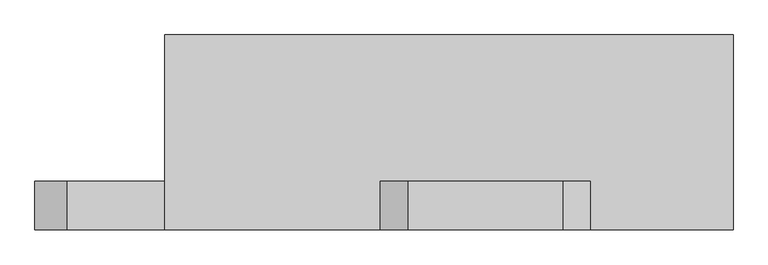
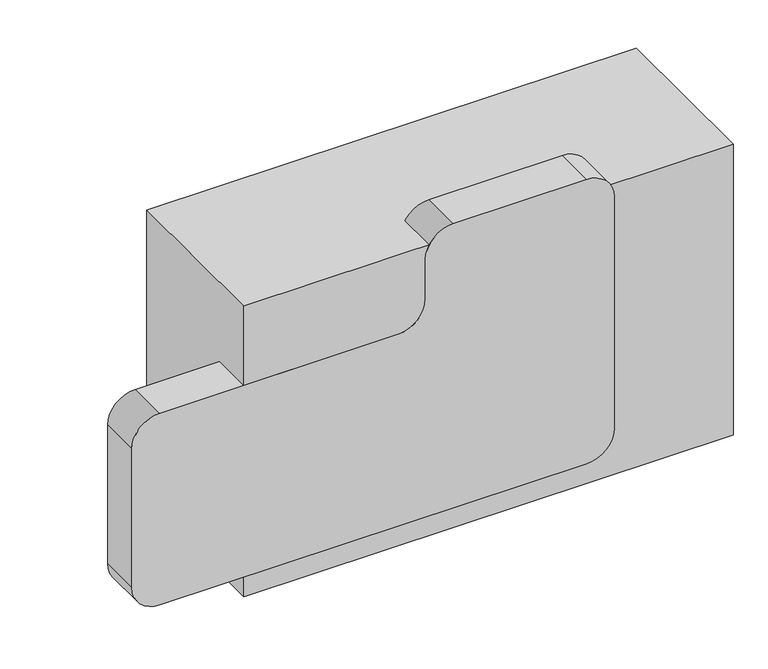
"""IFC4 building model written with IfcOpenShell, lengths in millimetres: proxy geometry."""

from ifc_helpers import new_model, si_unit, point, frame, frame_2d, origin, origin_with_axes, place, context, project, spatial, polyline, circle_curve, trimmed, segment, composite_curve, outline, extrude, source, transform, mapped, element, save


def specialty_equipment_edd291a9(model_context):
    return source(origin(), model_context, "Body", "SweptSolid", [
        extrude(outline(composite_curve([segment(trimmed(circle_curve(frame_2d((533.4, 177.8)), 50.8), [point((533.4, 228.6))], [point((584.2, 177.8))], False, "CARTESIAN"), True, "CONTINUOUS"), segment(polyline([(584.2, 177.8), (584.2, -63.5)]), True, "CONTINUOUS"), segment(trimmed(circle_curve(frame_2d((533.4, -63.5)), 50.8), [point((584.2, -63.5))], [point((533.4, -114.3))], False, "CARTESIAN"), True, "CONTINUOUS"), segment(polyline([(533.4, -114.3), (457.2, -114.3)]), True, "CONTINUOUS"), segment(trimmed(circle_curve(frame_2d((457.2, -165.1)), 50.8), [point((457.2, -114.3))], [point((406.4, -165.1))], True, "CARTESIAN"), True, "CONTINUOUS"), segment(polyline([(406.4, -165.1), (406.4, -596.9)]), True, "CONTINUOUS"), segment(trimmed(circle_curve(frame_2d((355.6, -596.9)), 50.8), [point((406.4, -596.9))], [point((355.6, -647.7))], False, "CARTESIAN"), True, "CONTINUOUS"), segment(polyline([(355.6, -647.7), (88.9, -647.7)]), True, "CONTINUOUS"), segment(trimmed(circle_curve(frame_2d((88.9, -596.9)), 50.8), [point((88.9, -647.7))], [point((38.1, -596.9))], False, "CARTESIAN"), True, "CONTINUOUS"), segment(polyline([(38.1, -596.9), (38.1, 177.8)]), True, "CONTINUOUS"), segment(trimmed(circle_curve(frame_2d((88.9, 177.8)), 50.8), [point((38.1, 177.8))], [point((88.9, 228.6))], False, "CARTESIAN"), True, "CONTINUOUS"), segment(polyline([(88.9, 228.6), (533.4, 228.6)]), True, "CONTINUOUS")], self_intersect=False)), frame((0.0, -304.8, 0.0), z_axis=(0.0, 1.0, 0.0), x_axis=(0.0, 0.0, 1.0)), (0.0, 0.0, 1.0), 76.2),
        extrude(outline(polyline([(444.5, -304.8), (-444.5, -304.8), (-444.5, 0.0), (444.5, 0.0), (444.5, -304.8)])), origin_with_axes(), (0.0, 0.0, 1.0), 558.8),
    ])


if __name__ == "__main__":
    model = new_model("IFC4")
    model_context = context("Model", 3, world=origin())
    ifc_project = project(units=[si_unit("LENGTHUNIT", "METRE", prefix="MILLI")], contexts=[model_context])
    site = spatial("IfcSite", under=ifc_project)
    building = spatial("IfcBuilding", under=site)
    placement = place(None, origin())
    specialty_equipment_shape = specialty_equipment_edd291a9(model_context)
    element("IfcBuildingElementProxy", 1, Name="Specialty Equipment", at=placement, inside=building, context=model_context, shape_type="MappedRepresentation", body=[
        mapped(specialty_equipment_shape, transform((0.0, 0.0, 0.0), x_axis=(1.0, 0.0, 0.0), y_axis=(0.0, 1.0, 0.0), z_axis=(0.0, 0.0, 1.0))),
    ])
    save(model, "model.ifc")
